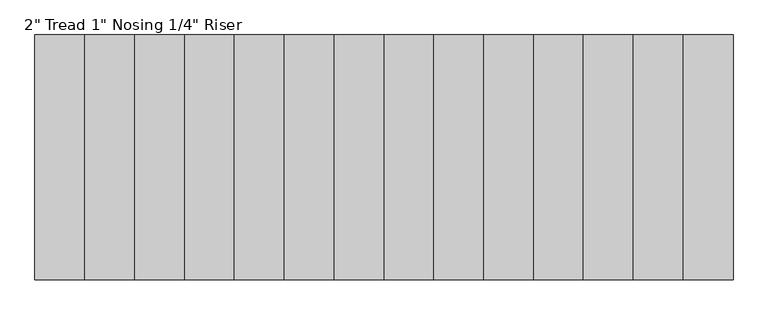
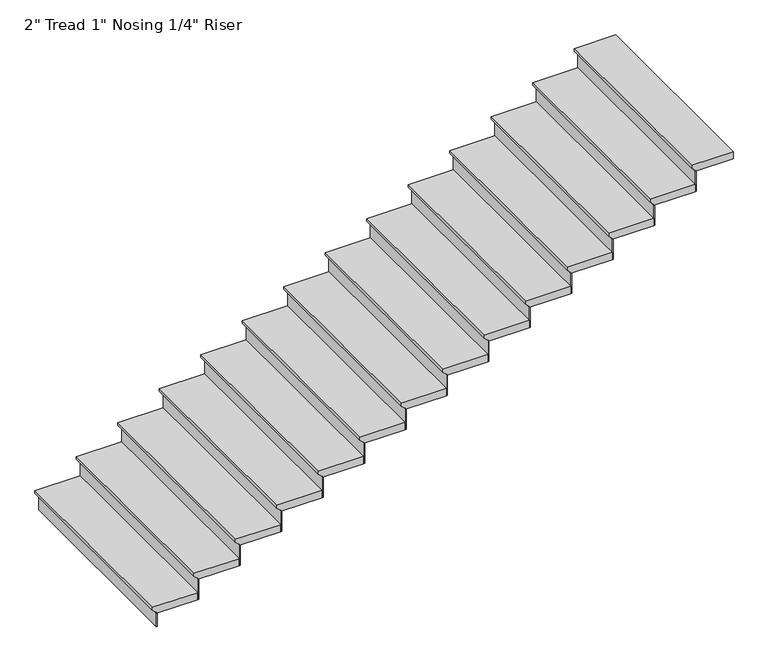
"""IFC4 building model written with IfcOpenShell, lengths in millimetres: stair flight geometry."""

from ifc_helpers import new_model, si_unit, frame, origin, place, context, project, spatial, polyline, outline, extrude, source, transform, mapped, element, save


def stair_flight_b3c39a3c(model_context):
    return source(origin(), model_context, "Body", "SweptSolid", [
        extrude(outline(polyline([(-2598.8210526, -323310.3918555), (-2598.8210526, -323615.1918555), (-2617.8710526, -323615.1918555), (-2643.2710526, -323589.7918555), (-2649.6210526, -323589.7918555), (-2649.6210526, -323310.3918555), (-2598.8210526, -323310.3918555)])), frame((0.0, 138165.5350981, 0.0), z_axis=(0.0, 1.0, 0.0), x_axis=(0.0, 0.0, 1.0)), (0.0, 0.0, 1.0), 1371.6),
        extrude(outline(polyline([(-323583.4418555, 138165.5350981), (-323589.7918555, 138165.5350981), (-323589.7918555, 139537.1350981), (-323583.4418555, 139537.1350981), (-323583.4418555, 138165.5350981)])), frame((0.0, 0.0, -2743.2), z_axis=(0.0, 0.0, 1.0), x_axis=(1.0, 0.0, 0.0)), (0.0, 0.0, 1.0), 93.5789474),
        extrude(outline(polyline([(-323304.0418555, 138165.5350981), (-323310.3918555, 138165.5350981), (-323310.3918555, 139537.1350981), (-323304.0418555, 139537.1350981), (-323304.0418555, 138165.5350981)])), frame((0.0, 0.0, -2649.6210526), z_axis=(0.0, 0.0, 1.0), x_axis=(1.0, 0.0, 0.0)), (0.0, 0.0, 1.0), 144.3789474),
        extrude(outline(polyline([(-2454.4421053, -323030.9918555), (-2454.4421053, -323335.7918555), (-2473.4921053, -323335.7918555), (-2498.8921053, -323310.3918555), (-2505.2421053, -323310.3918555), (-2505.2421053, -323030.9918555), (-2454.4421053, -323030.9918555)])), frame((0.0, 138165.5350981, 0.0), z_axis=(0.0, 1.0, 0.0), x_axis=(0.0, 0.0, 1.0)), (0.0, 0.0, 1.0), 1371.6),
        extrude(outline(polyline([(-323024.6418555, 138165.5350981), (-323030.9918555, 138165.5350981), (-323030.9918555, 139537.1350981), (-323024.6418555, 139537.1350981), (-323024.6418555, 138165.5350981)])), frame((0.0, 0.0, -2505.2421053), z_axis=(0.0, 0.0, 1.0), x_axis=(1.0, 0.0, 0.0)), (0.0, 0.0, 1.0), 144.3789474),
        extrude(outline(polyline([(-2310.0631579, -322751.5918555), (-2310.0631579, -323056.3918555), (-2329.1131579, -323056.3918555), (-2354.5131579, -323030.9918555), (-2360.8631579, -323030.9918555), (-2360.8631579, -322751.5918555), (-2310.0631579, -322751.5918555)])), frame((0.0, 138165.5350981, 0.0), z_axis=(0.0, 1.0, 0.0), x_axis=(0.0, 0.0, 1.0)), (0.0, 0.0, 1.0), 1371.6),
        extrude(outline(polyline([(-322745.2418555, 138165.5350981), (-322751.5918555, 138165.5350981), (-322751.5918555, 139537.1350981), (-322745.2418555, 139537.1350981), (-322745.2418555, 138165.5350981)])), frame((0.0, 0.0, -2360.8631579), z_axis=(0.0, 0.0, 1.0), x_axis=(1.0, 0.0, 0.0)), (0.0, 0.0, 1.0), 144.3789474),
        extrude(outline(polyline([(-2165.6842105, -322472.1918555), (-2165.6842105, -322776.9918555), (-2184.7342105, -322776.9918555), (-2210.1342105, -322751.5918555), (-2216.4842105, -322751.5918555), (-2216.4842105, -322472.1918555), (-2165.6842105, -322472.1918555)])), frame((0.0, 138165.5350981, 0.0), z_axis=(0.0, 1.0, 0.0), x_axis=(0.0, 0.0, 1.0)), (0.0, 0.0, 1.0), 1371.6),
        extrude(outline(polyline([(-322465.8418555, 138165.5350981), (-322472.1918555, 138165.5350981), (-322472.1918555, 139537.1350981), (-322465.8418555, 139537.1350981), (-322465.8418555, 138165.5350981)])), frame((0.0, 0.0, -2216.4842105), z_axis=(0.0, 0.0, 1.0), x_axis=(1.0, 0.0, 0.0)), (0.0, 0.0, 1.0), 144.3789474),
        extrude(outline(polyline([(-2021.3052632, -322192.7918555), (-2021.3052632, -322497.5918555), (-2040.3552632, -322497.5918555), (-2065.7552632, -322472.1918555), (-2072.1052632, -322472.1918555), (-2072.1052632, -322192.7918555), (-2021.3052632, -322192.7918555)])), frame((0.0, 138165.5350981, 0.0), z_axis=(0.0, 1.0, 0.0), x_axis=(0.0, 0.0, 1.0)), (0.0, 0.0, 1.0), 1371.6),
        extrude(outline(polyline([(-322186.4418555, 138165.5350981), (-322192.7918555, 138165.5350981), (-322192.7918555, 139537.1350981), (-322186.4418555, 139537.1350981), (-322186.4418555, 138165.5350981)])), frame((0.0, 0.0, -2072.1052632), z_axis=(0.0, 0.0, 1.0), x_axis=(1.0, 0.0, 0.0)), (0.0, 0.0, 1.0), 144.3789474),
        extrude(outline(polyline([(-1876.9263158, -321913.3918555), (-1876.9263158, -322218.1918555), (-1895.9763158, -322218.1918555), (-1921.3763158, -322192.7918555), (-1927.7263158, -322192.7918555), (-1927.7263158, -321913.3918555), (-1876.9263158, -321913.3918555)])), frame((0.0, 138165.5350981, 0.0), z_axis=(0.0, 1.0, 0.0), x_axis=(0.0, 0.0, 1.0)), (0.0, 0.0, 1.0), 1371.6),
        extrude(outline(polyline([(-321907.0418555, 138165.5350981), (-321913.3918555, 138165.5350981), (-321913.3918555, 139537.1350981), (-321907.0418555, 139537.1350981), (-321907.0418555, 138165.5350981)])), frame((0.0, 0.0, -1927.7263158), z_axis=(0.0, 0.0, 1.0), x_axis=(1.0, 0.0, 0.0)), (0.0, 0.0, 1.0), 144.3789474),
        extrude(outline(polyline([(-1732.5473684, -321633.9918555), (-1732.5473684, -321938.7918555), (-1751.5973684, -321938.7918555), (-1776.9973684, -321913.3918555), (-1783.3473684, -321913.3918555), (-1783.3473684, -321633.9918555), (-1732.5473684, -321633.9918555)])), frame((0.0, 138165.5350981, 0.0), z_axis=(0.0, 1.0, 0.0), x_axis=(0.0, 0.0, 1.0)), (0.0, 0.0, 1.0), 1371.6),
        extrude(outline(polyline([(-321627.6418555, 138165.5350981), (-321633.9918555, 138165.5350981), (-321633.9918555, 139537.1350981), (-321627.6418555, 139537.1350981), (-321627.6418555, 138165.5350981)])), frame((0.0, 0.0, -1783.3473684), z_axis=(0.0, 0.0, 1.0), x_axis=(1.0, 0.0, 0.0)), (0.0, 0.0, 1.0), 144.3789474),
        extrude(outline(polyline([(-1588.1684211, -321354.5918555), (-1588.1684211, -321659.3918555), (-1607.2184211, -321659.3918555), (-1632.6184211, -321633.9918555), (-1638.9684211, -321633.9918555), (-1638.9684211, -321354.5918555), (-1588.1684211, -321354.5918555)])), frame((0.0, 138165.5350981, 0.0), z_axis=(0.0, 1.0, 0.0), x_axis=(0.0, 0.0, 1.0)), (0.0, 0.0, 1.0), 1371.6),
        extrude(outline(polyline([(-321348.2418555, 138165.5350981), (-321354.5918555, 138165.5350981), (-321354.5918555, 139537.1350981), (-321348.2418555, 139537.1350981), (-321348.2418555, 138165.5350981)])), frame((0.0, 0.0, -1638.9684211), z_axis=(0.0, 0.0, 1.0), x_axis=(1.0, 0.0, 0.0)), (0.0, 0.0, 1.0), 144.3789474),
        extrude(outline(polyline([(-1443.7894737, -321075.1918555), (-1443.7894737, -321379.9918555), (-1462.8394737, -321379.9918555), (-1488.2394737, -321354.5918555), (-1494.5894737, -321354.5918555), (-1494.5894737, -321075.1918555), (-1443.7894737, -321075.1918555)])), frame((0.0, 138165.5350981, 0.0), z_axis=(0.0, 1.0, 0.0), x_axis=(0.0, 0.0, 1.0)), (0.0, 0.0, 1.0), 1371.6),
        extrude(outline(polyline([(-321068.8418555, 138165.5350981), (-321075.1918555, 138165.5350981), (-321075.1918555, 139537.1350981), (-321068.8418555, 139537.1350981), (-321068.8418555, 138165.5350981)])), frame((0.0, 0.0, -1494.5894737), z_axis=(0.0, 0.0, 1.0), x_axis=(1.0, 0.0, 0.0)), (0.0, 0.0, 1.0), 144.3789474),
        extrude(outline(polyline([(-1299.4105263, -320795.7918555), (-1299.4105263, -321100.5918555), (-1318.4605263, -321100.5918555), (-1343.8605263, -321075.1918555), (-1350.2105263, -321075.1918555), (-1350.2105263, -320795.7918555), (-1299.4105263, -320795.7918555)])), frame((0.0, 138165.5350981, 0.0), z_axis=(0.0, 1.0, 0.0), x_axis=(0.0, 0.0, 1.0)), (0.0, 0.0, 1.0), 1371.6),
        extrude(outline(polyline([(-320789.4418555, 138165.5350981), (-320795.7918555, 138165.5350981), (-320795.7918555, 139537.1350981), (-320789.4418555, 139537.1350981), (-320789.4418555, 138165.5350981)])), frame((0.0, 0.0, -1350.2105263), z_axis=(0.0, 0.0, 1.0), x_axis=(1.0, 0.0, 0.0)), (0.0, 0.0, 1.0), 144.3789474),
        extrude(outline(polyline([(-1155.0315789, -320516.3918555), (-1155.0315789, -320821.1918555), (-1174.0815789, -320821.1918555), (-1199.4815789, -320795.7918555), (-1205.8315789, -320795.7918555), (-1205.8315789, -320516.3918555), (-1155.0315789, -320516.3918555)])), frame((0.0, 138165.5350981, 0.0), z_axis=(0.0, 1.0, 0.0), x_axis=(0.0, 0.0, 1.0)), (0.0, 0.0, 1.0), 1371.6),
        extrude(outline(polyline([(-320510.0418555, 138165.5350981), (-320516.3918555, 138165.5350981), (-320516.3918555, 139537.1350981), (-320510.0418555, 139537.1350981), (-320510.0418555, 138165.5350981)])), frame((0.0, 0.0, -1205.8315789), z_axis=(0.0, 0.0, 1.0), x_axis=(1.0, 0.0, 0.0)), (0.0, 0.0, 1.0), 144.3789474),
        extrude(outline(polyline([(-1010.6526316, -320236.9918555), (-1010.6526316, -320541.7918555), (-1029.7026316, -320541.7918555), (-1055.1026316, -320516.3918555), (-1061.4526316, -320516.3918555), (-1061.4526316, -320236.9918555), (-1010.6526316, -320236.9918555)])), frame((0.0, 138165.5350981, 0.0), z_axis=(0.0, 1.0, 0.0), x_axis=(0.0, 0.0, 1.0)), (0.0, 0.0, 1.0), 1371.6),
        extrude(outline(polyline([(-320230.6418555, 138165.5350981), (-320236.9918555, 138165.5350981), (-320236.9918555, 139537.1350981), (-320230.6418555, 139537.1350981), (-320230.6418555, 138165.5350981)])), frame((0.0, 0.0, -1061.4526316), z_axis=(0.0, 0.0, 1.0), x_axis=(1.0, 0.0, 0.0)), (0.0, 0.0, 1.0), 144.3789474),
        extrude(outline(polyline([(-866.2736842, -319957.5918555), (-866.2736842, -320262.3918555), (-885.3236842, -320262.3918555), (-910.7236842, -320236.9918555), (-917.0736842, -320236.9918555), (-917.0736842, -319957.5918555), (-866.2736842, -319957.5918555)])), frame((0.0, 138165.5350981, 0.0), z_axis=(0.0, 1.0, 0.0), x_axis=(0.0, 0.0, 1.0)), (0.0, 0.0, 1.0), 1371.6),
        extrude(outline(polyline([(-319951.2418555, 138165.5350981), (-319957.5918555, 138165.5350981), (-319957.5918555, 139537.1350981), (-319951.2418555, 139537.1350981), (-319951.2418555, 138165.5350981)])), frame((0.0, 0.0, -917.0736842), z_axis=(0.0, 0.0, 1.0), x_axis=(1.0, 0.0, 0.0)), (0.0, 0.0, 1.0), 144.3789474),
        extrude(outline(polyline([(-721.8947368, -319703.5918555), (-721.8947368, -319982.9918555), (-740.9447368, -319982.9918555), (-766.3447368, -319957.5918555), (-772.6947368, -319957.5918555), (-772.6947368, -319703.5918555), (-721.8947368, -319703.5918555)])), frame((0.0, 138165.5350981, 0.0), z_axis=(0.0, 1.0, 0.0), x_axis=(0.0, 0.0, 1.0)), (0.0, 0.0, 1.0), 1371.6),
    ])


if __name__ == "__main__":
    model = new_model("IFC4")
    model_context = context("Model", 3, world=origin())
    ifc_project = project(units=[si_unit("LENGTHUNIT", "METRE", prefix="MILLI")], contexts=[model_context])
    site = spatial("IfcSite", under=ifc_project)
    building = spatial("IfcBuilding", under=site)
    placement = place(None, origin())
    stair_flight_shape = stair_flight_b3c39a3c(model_context)
    element("IfcStairFlight", 1, ObjectType="2\" Tread 1\" Nosing 1/4\" Riser", at=placement, inside=building, context=model_context, shape_type="MappedRepresentation", body=[
        mapped(stair_flight_shape, transform((0.0, 0.0, 0.0), x_axis=(1.0, 0.0, 0.0), y_axis=(0.0, 1.0, 0.0), z_axis=(0.0, 0.0, 1.0))),
    ])
    save(model, "model.ifc")
